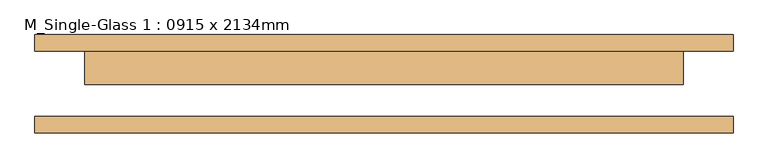
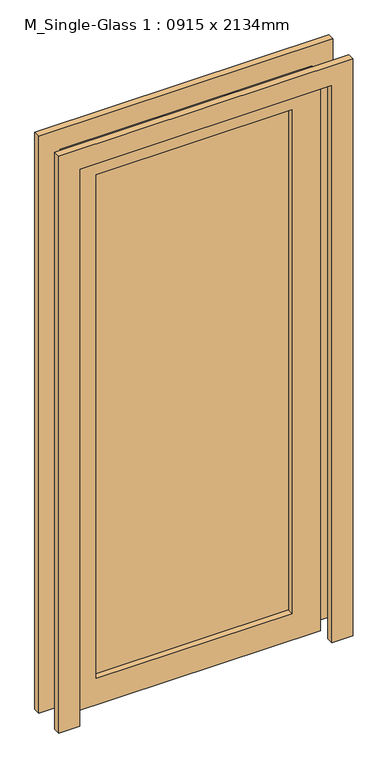
"""IFC4 building model written with IfcOpenShell, lengths in millimetres: door geometry, M_Single-Glass 1 : 0915 x 2134mm."""

from ifc_helpers import new_model, si_unit, frame, origin, place, context, project, spatial, polyline, outline, extrude, source, transform, mapped, element, save


def m_single_glass_1_0915_x_2134mm_9de4f293(model_context):
    return source(origin(), model_context, "Body", "SweptSolid", [
        extrude(outline(polyline([(2134.0, 457.5), (0.0, 457.5), (0.0, 533.5), (2210.0, 533.5), (2210.0, -533.5), (0.0, -533.5), (0.0, -457.5), (2134.0, -457.5), (2134.0, 457.5)])), frame((0.0, -75.0, 0.0), z_axis=(0.0, 1.0, 0.0), x_axis=(0.0, 0.0, 1.0)), (0.0, 0.0, 1.0), 25.0),
        extrude(outline(polyline([(2134.0, 457.5), (0.0, 457.5), (0.0, 533.5), (2210.0, 533.5), (2210.0, -533.5), (0.0, -533.5), (0.0, -457.5), (2134.0, -457.5), (2134.0, 457.5)])), frame((0.0, 50.0, 0.0), z_axis=(0.0, 1.0, 0.0), x_axis=(0.0, 0.0, 1.0)), (0.0, 0.0, 1.0), 25.0),
        extrude(outline(polyline([(355.5, 21.425), (-355.5, 21.425), (-355.5, 27.775), (355.5, 27.775), (355.5, 21.425)])), frame((0.0, 0.0, 102.0), z_axis=(0.0, 0.0, 1.0), x_axis=(1.0, 0.0, 0.0)), (0.0, 0.0, 1.0), 1930.0),
        extrude(outline(polyline([(2134.0, 457.5), (2134.0, -457.5), (0.0, -457.5), (0.0, 457.5), (2134.0, 457.5)]), holes=[polyline([(2032.0, -355.5), (2032.0, 355.5), (102.0, 355.5), (102.0, -355.5), (2032.0, -355.5)])]), frame((0.0, -1.0, 0.0), z_axis=(0.0, 1.0, 0.0), x_axis=(0.0, 0.0, 1.0)), (0.0, 0.0, 1.0), 51.0),
    ])


if __name__ == "__main__":
    model = new_model("IFC4")
    model_context = context("Model", 3, world=origin())
    ifc_project = project(units=[si_unit("LENGTHUNIT", "METRE", prefix="MILLI")], contexts=[model_context])
    site = spatial("IfcSite", under=ifc_project)
    building = spatial("IfcBuilding", under=site)
    placement = place(None, origin())
    m_single_glass_1_0915_x_2134mm_shape = m_single_glass_1_0915_x_2134mm_9de4f293(model_context)
    element("IfcDoor", 1, ObjectType="M_Single-Glass 1 : 0915 x 2134mm", at=placement, inside=building, context=model_context, shape_type="MappedRepresentation", body=[
        mapped(m_single_glass_1_0915_x_2134mm_shape, transform((0.0, 0.0, 0.0), x_axis=(1.0, 0.0, 0.0), y_axis=(0.0, 1.0, 0.0), z_axis=(0.0, 0.0, 1.0))),
    ])
    save(model, "model.ifc")
